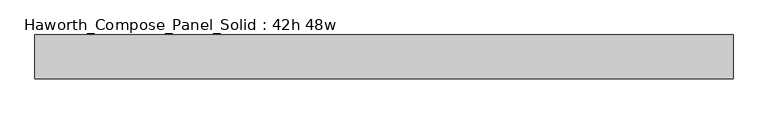
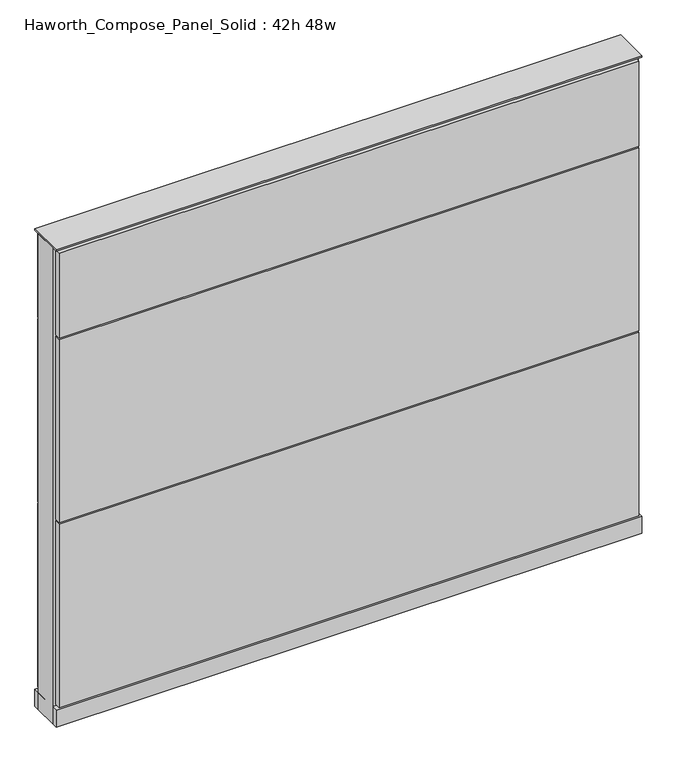
"""IFC4 building model written with IfcOpenShell, lengths in millimetres: furniture geometry, Haworth_Compose_Panel_Solid : 42h 48w."""

from ifc_helpers import new_model, si_unit, point, frame, frame_2d, origin, origin_with_axes, place, context, project, spatial, polyline, circle_curve, trimmed, segment, composite_curve, outline, extrude, source, transform, mapped, element, save


def haworth_compose_panel_solid_42h_48w_c2b2cd3d(model_context):
    return source(origin(), model_context, "Body", "SweptSolid", [
        extrude(outline(composite_curve([segment(trimmed(circle_curve(frame_2d((-530.9597098, 0.0)), 12.7), [point((-543.6597098, 0.0))], [point((-518.2597098, 0.0))], False, "CARTESIAN"), True, "CONTINUOUS"), segment(trimmed(circle_curve(frame_2d((-530.9597098, 0.0)), 12.7), [point((-518.2597098, 0.0))], [point((-543.6597098, 0.0))], False, "CARTESIAN"), True, "CONTINUOUS")], self_intersect=False)), origin_with_axes(), (0.0, 0.0, 1.0), 12.7),
        extrude(outline(composite_curve([segment(trimmed(circle_curve(frame_2d((535.8402902, 0.0)), 12.7), [point((523.1402902, 0.0))], [point((548.5402902, 0.0))], False, "CARTESIAN"), True, "CONTINUOUS"), segment(trimmed(circle_curve(frame_2d((535.8402902, 0.0)), 12.7), [point((548.5402902, 0.0))], [point((523.1402902, 0.0))], False, "CARTESIAN"), True, "CONTINUOUS")], self_intersect=False)), origin_with_axes(), (0.0, 0.0, 1.0), 12.7),
        extrude(outline(polyline([(605.6902902, 38.1), (605.6902902, 25.4), (-600.8097098, 25.4), (-600.8097098, 38.1), (605.6902902, 38.1)])), frame((0.0, 0.0, 866.775), z_axis=(0.0, 0.0, 1.0), x_axis=(1.0, 0.0, 0.0)), (0.0, 0.0, 1.0), 187.325),
        extrude(outline(polyline([(605.6902902, 38.1), (605.6902902, 25.4), (-600.8097098, 25.4), (-600.8097098, 38.1), (605.6902902, 38.1)])), frame((0.0, 0.0, 460.375), z_axis=(0.0, 0.0, 1.0), x_axis=(1.0, 0.0, 0.0)), (0.0, 0.0, 1.0), 403.225),
        extrude(outline(polyline([(605.6902902, 38.1), (605.6902902, 25.4), (-600.8097098, 25.4), (-600.8097098, 38.1), (605.6902902, 38.1)])), frame((0.0, 0.0, 53.975), z_axis=(0.0, 0.0, 1.0), x_axis=(1.0, 0.0, 0.0)), (0.0, 0.0, 1.0), 403.225),
        extrude(outline(polyline([(605.6902902, -38.1), (-600.8097098, -38.1), (-600.8097098, -25.4), (605.6902902, -25.4), (605.6902902, -38.1)])), frame((0.0, 0.0, 866.775), z_axis=(0.0, 0.0, 1.0), x_axis=(1.0, 0.0, 0.0)), (0.0, 0.0, 1.0), 187.325),
        extrude(outline(polyline([(605.6902902, -38.1), (-600.8097098, -38.1), (-600.8097098, -25.4), (605.6902902, -25.4), (605.6902902, -38.1)])), frame((0.0, 0.0, 460.375), z_axis=(0.0, 0.0, 1.0), x_axis=(1.0, 0.0, 0.0)), (0.0, 0.0, 1.0), 403.225),
        extrude(outline(polyline([(605.6902902, -38.1), (-600.8097098, -38.1), (-600.8097098, -25.4), (605.6902902, -25.4), (605.6902902, -38.1)])), frame((0.0, 0.0, 53.975), z_axis=(0.0, 0.0, 1.0), x_axis=(1.0, 0.0, 0.0)), (0.0, 0.0, 1.0), 403.225),
        extrude(outline(polyline([(612.0402902, 25.4), (612.0402902, -25.4), (-607.1597098, -25.4), (-607.1597098, 25.4), (612.0402902, 25.4)])), frame((0.0, 0.0, 12.7), z_axis=(0.0, 0.0, 1.0), x_axis=(1.0, 0.0, 0.0)), (0.0, 0.0, 1.0), 1047.75),
        extrude(outline(polyline([(-607.1597098, -38.1), (-607.1597098, 38.1), (612.0402902, 38.1), (612.0402902, -38.1), (-607.1597098, -38.1)])), frame((0.0, 0.0, 12.7), z_axis=(0.0, 0.0, 1.0), x_axis=(1.0, 0.0, 0.0)), (0.0, 0.0, 1.0), 38.1),
        extrude(outline(polyline([(-607.1597098, -38.1), (-607.1597098, 38.1), (612.0402902, 38.1), (612.0402902, -38.1), (-607.1597098, -38.1)])), frame((0.0, 0.0, 1060.45), z_axis=(0.0, 0.0, 1.0), x_axis=(1.0, 0.0, 0.0)), (0.0, 0.0, 1.0), 3.175),
    ])


if __name__ == "__main__":
    model = new_model("IFC4")
    model_context = context("Model", 3, world=origin())
    ifc_project = project(units=[si_unit("LENGTHUNIT", "METRE", prefix="MILLI")], contexts=[model_context])
    site = spatial("IfcSite", under=ifc_project)
    building = spatial("IfcBuilding", under=site)
    placement = place(None, origin())
    haworth_compose_panel_solid_42h_48w_shape = haworth_compose_panel_solid_42h_48w_c2b2cd3d(model_context)
    element("IfcFurniture", 1, ObjectType="Haworth_Compose_Panel_Solid : 42h 48w", at=placement, inside=building, context=model_context, shape_type="MappedRepresentation", body=[
        mapped(haworth_compose_panel_solid_42h_48w_shape, transform((0.0, 0.0, 0.0), x_axis=(1.0, 0.0, 0.0), y_axis=(0.0, 1.0, 0.0), z_axis=(0.0, 0.0, 1.0))),
    ])
    save(model, "model.ifc")
